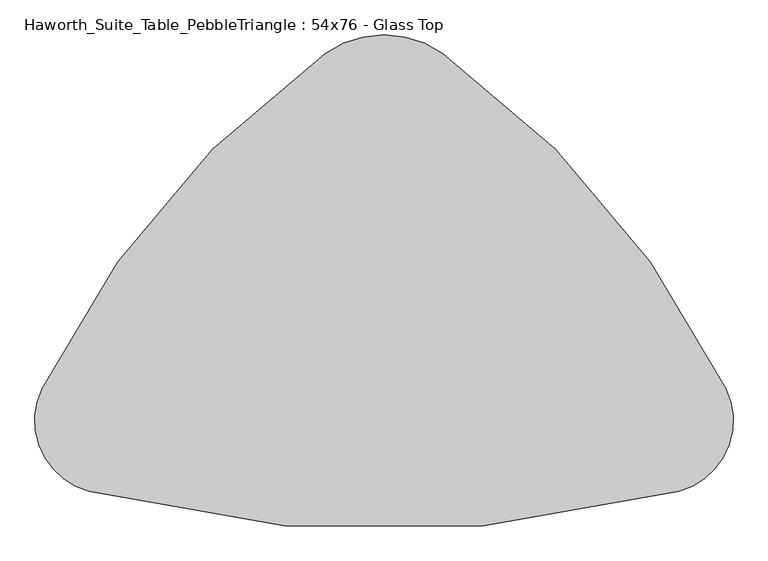
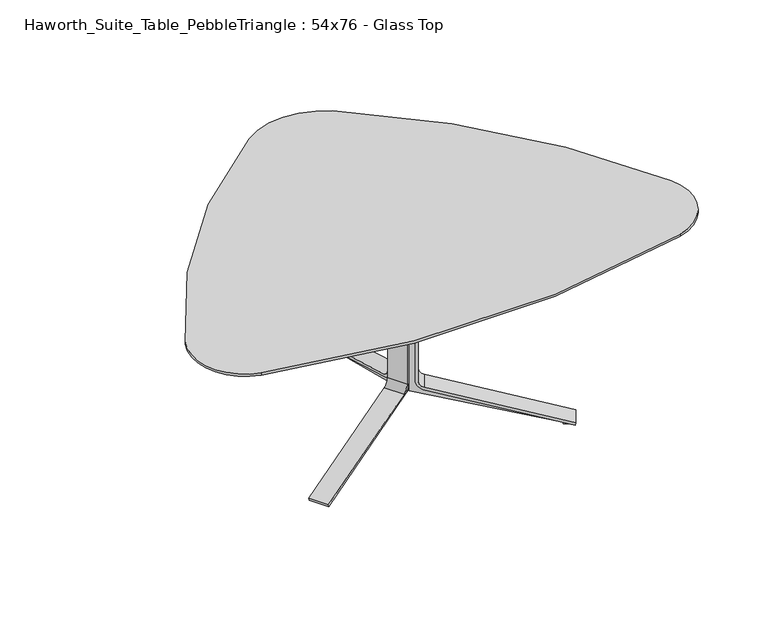
"""IFC4 building model written with IfcOpenShell, lengths in millimetres: furniture geometry, Haworth_Suite_Table_PebbleTriangle : 54x76 - Glass Top."""

from ifc_helpers import new_model, si_unit, point, frame, frame_2d, origin, place, context, project, spatial, polyline, circle_curve, trimmed, segment, composite_curve, outline, extrude, source, transform, mapped, element, save


def haworth_suite_table_pebbletriangle_54x76_glass_top_60013524(model_context):
    return source(origin(), model_context, "Body", "SweptSolid", [
        extrude(outline(composite_curve([segment(polyline([(-269.3436324, 0.0), (-295.5330754, 5.8726591), (-44.1875449, 20.7494046)]), True, "CONTINUOUS"), segment(trimmed(circle_curve(frame_2d((-46.438684, 58.7828422)), 38.1), [point((-44.1875449, 20.7494046))], [point((-9.2618925, 50.446406))], True, "CARTESIAN"), True, "CONTINUOUS"), segment(polyline([(-9.2618925, 50.446406), (82.3027309, 458.7838346)]), True, "CONTINUOUS"), segment(trimmed(circle_curve(frame_2d((45.1259393, 467.1202708)), 38.1), [point((82.3027309, 458.7838346))], [point((63.4019806, 500.5507407))], True, "CARTESIAN"), True, "CONTINUOUS"), segment(polyline([(63.4019806, 500.5507407), (-393.0670035, 750.0969211), (-391.6775969, 756.2930555), (-363.1013705, 749.8851897), (-364.1289314, 745.3027257), (112.9884974, 503.8783626), (0.0, 0.0), (-269.3436324, 0.0)]), True, "CONTINUOUS")], self_intersect=False)), frame((-15.5441472, -673.435421, 652.2665091), z_axis=(-0.49999999999999856, 0.8660254037844395, 0.0), x_axis=(0.8450405756685904, 0.4878844038384151, -0.21880409951582677)), (0.0, 0.0, 1.0), 47.625),
        extrude(outline(composite_curve([segment(polyline([(27.4680529, -36.4513375), (174.0095606, 474.5996329), (183.1655841, 471.9741854), (36.3672848, -39.0934672)]), True, "CONTINUOUS"), segment(trimmed(circle_curve(frame_2d((-0.2519977, -28.575)), 38.1), [point((36.3672848, -39.0934672))], [point((-0.2519977, -66.675))], False, "CARTESIAN"), True, "CONTINUOUS"), segment(polyline([(-0.2519977, -66.675), (-418.7296385, -66.675)]), True, "CONTINUOUS"), segment(trimmed(circle_curve(frame_2d((-418.7296385, -28.575)), 38.1), [point((-418.7296385, -66.675))], [point((-455.3489221, -39.0934634))], False, "CARTESIAN"), True, "CONTINUOUS"), segment(polyline([(-455.3489221, -39.0934634), (-523.3798781, 197.7514787)]), True, "CONTINUOUS"), segment(trimmed(circle_curve(frame_2d((-486.7605946, 208.2699421)), 38.1), [point((-523.3798781, 197.7514787))], [point((-524.8605946, 208.2699421))], False, "CARTESIAN"), True, "CONTINUOUS"), segment(polyline([(-524.8605946, 208.2699421), (-524.8605946, 303.1768115), (-515.3355946, 303.1768115), (-515.3355946, 210.0197483)]), True, "CONTINUOUS"), segment(trimmed(circle_curve(frame_2d((-477.2355946, 210.0197483)), 38.1), [point((-515.3355946, 210.0197483))], [point((-513.8596652, 199.5179651))], True, "CARTESIAN"), True, "CONTINUOUS"), segment(polyline([(-513.8596652, 199.5179651), (-446.1965565, -36.4513375)]), True, "CONTINUOUS"), segment(trimmed(circle_curve(frame_2d((-418.7285036, -28.575)), 28.575), [point((-446.1965565, -36.4513375))], [point((-418.7285036, -57.15))], True, "CARTESIAN"), True, "CONTINUOUS"), segment(polyline([(-418.7285036, -57.15), (0.0, -57.15)]), True, "CONTINUOUS"), segment(trimmed(circle_curve(frame_2d((0.0, -28.575)), 28.575), [point((0.0, -57.15))], [point((27.4680529, -36.4513375))], True, "CARTESIAN"), True, "CONTINUOUS")], self_intersect=False)), frame((-83.5284008, -729.1839321, 186.3393812), z_axis=(-0.4999999999999986, 0.8660254037844395, 0.0), x_axis=(0.0, 0.0, -1.0)), (0.0, 0.0, 1.0), 76.2),
        extrude(outline(composite_curve([segment(polyline([(-269.3436324, 0.0), (0.0, 0.0), (112.9884974, -503.8783626), (-364.1289314, -745.3027257), (-363.1013705, -749.8851897), (-391.6775969, -756.2930555), (-393.0670035, -750.0969211), (63.4019806, -500.5507407)]), True, "CONTINUOUS"), segment(trimmed(circle_curve(frame_2d((45.1259393, -467.1202708)), 38.1), [point((63.4019806, -500.5507407))], [point((82.3027309, -458.7838346))], True, "CARTESIAN"), True, "CONTINUOUS"), segment(polyline([(82.3027309, -458.7838346), (-9.2618925, -50.446406)]), True, "CONTINUOUS"), segment(trimmed(circle_curve(frame_2d((-46.438684, -58.7828422)), 38.1), [point((-9.2618925, -50.446406))], [point((-44.1875449, -20.7494046))], True, "CARTESIAN"), True, "CONTINUOUS"), segment(polyline([(-44.1875449, -20.7494046), (-295.5330754, -5.8726591), (-269.3436324, 0.0)]), True, "CONTINUOUS")], self_intersect=False)), frame((-9.8558528, -673.435421, 652.2665091), z_axis=(0.49999999999999856, 0.8660254037844395, 0.0), x_axis=(-0.8450405756685904, 0.4878844038384151, -0.21880409951582677)), (0.0, 0.0, 1.0), 47.625),
        extrude(outline(composite_curve([segment(trimmed(circle_curve(frame_2d((0.0, 28.575)), 28.575), [point((27.4680529, 36.4513375))], [point((0.0, 57.15))], True, "CARTESIAN"), True, "CONTINUOUS"), segment(polyline([(0.0, 57.15), (-418.7285036, 57.15)]), True, "CONTINUOUS"), segment(trimmed(circle_curve(frame_2d((-418.7285036, 28.575)), 28.575), [point((-418.7285036, 57.15))], [point((-446.1965565, 36.4513375))], True, "CARTESIAN"), True, "CONTINUOUS"), segment(polyline([(-446.1965565, 36.4513375), (-513.8596652, -199.5179651)]), True, "CONTINUOUS"), segment(trimmed(circle_curve(frame_2d((-477.2355946, -210.0197483)), 38.1), [point((-513.8596652, -199.5179651))], [point((-515.3355946, -210.0197483))], True, "CARTESIAN"), True, "CONTINUOUS"), segment(polyline([(-515.3355946, -210.0197483), (-515.3355946, -303.1768115), (-524.8605946, -303.1768115), (-524.8605946, -208.2699421)]), True, "CONTINUOUS"), segment(trimmed(circle_curve(frame_2d((-486.7605946, -208.2699421)), 38.1), [point((-524.8605946, -208.2699421))], [point((-523.3798781, -197.7514787))], False, "CARTESIAN"), True, "CONTINUOUS"), segment(polyline([(-523.3798781, -197.7514787), (-455.3489221, 39.0934634)]), True, "CONTINUOUS"), segment(trimmed(circle_curve(frame_2d((-418.7296385, 28.575)), 38.1), [point((-455.3489221, 39.0934634))], [point((-418.7296385, 66.675))], False, "CARTESIAN"), True, "CONTINUOUS"), segment(polyline([(-418.7296385, 66.675), (-0.2519977, 66.675)]), True, "CONTINUOUS"), segment(trimmed(circle_curve(frame_2d((-0.2519977, 28.575)), 38.1), [point((-0.2519977, 66.675))], [point((36.3672848, 39.0934672))], False, "CARTESIAN"), True, "CONTINUOUS"), segment(polyline([(36.3672848, 39.0934672), (183.1655841, -471.9741854), (174.0095606, -474.5996329), (27.4680529, 36.4513375)]), True, "CONTINUOUS")], self_intersect=False)), frame((58.1284008, -729.1839321, 186.3393812), z_axis=(0.4999999999999986, 0.8660254037844395, 0.0), x_axis=(0.0, 0.0, -1.0)), (0.0, 0.0, 1.0), 76.2),
        extrude(outline(composite_curve([segment(polyline([(-364.4476386, 711.2), (-337.6078352, 711.2), (-579.6078709, 641.6883033)]), True, "CONTINUOUS"), segment(trimmed(circle_curve(frame_2d((-569.0894074, 605.0690197)), 38.1), [point((-579.6078709, 641.6883033))], [point((-607.1894074, 605.0690197))], True, "CARTESIAN"), True, "CONTINUOUS"), segment(polyline([(-607.1894074, 605.0690197), (-607.1894074, 186.5913789)]), True, "CONTINUOUS"), segment(trimmed(circle_curve(frame_2d((-569.0894074, 186.5913789)), 38.1), [point((-607.1894074, 186.5913789))], [point((-579.6078747, 149.9720964))], True, "CARTESIAN"), True, "CONTINUOUS"), segment(polyline([(-579.6078747, 149.9720964), (-79.5979509, 6.3500025), (-79.5979509, 0.0), (-108.8838087, 0.0), (-108.8838087, 4.69626), (-627.2647536, 135.8753736), (-627.2647536, 652.2665091), (-364.4476386, 711.2)]), True, "CONTINUOUS")], self_intersect=False)), frame((-36.5125, 0.0, 0.0), z_axis=(1.0, 0.0, 0.0), x_axis=(0.0, 1.0, 0.0)), (0.0, 0.0, 1.0), 47.625),
        extrude(outline(composite_curve([segment(polyline([(-576.9657449, 158.8713283), (-65.9147745, 12.3298206), (-68.540222, 3.1737971), (-579.6078747, 149.9720964)]), True, "CONTINUOUS"), segment(trimmed(circle_curve(frame_2d((-569.0894074, 186.5913789)), 38.1), [point((-579.6078747, 149.9720964))], [point((-607.1894074, 186.5913789))], False, "CARTESIAN"), True, "CONTINUOUS"), segment(polyline([(-607.1894074, 186.5913789), (-607.1894074, 605.0690197)]), True, "CONTINUOUS"), segment(trimmed(circle_curve(frame_2d((-569.0894074, 605.0690197)), 38.1), [point((-607.1894074, 605.0690197))], [point((-579.6078709, 641.6883033))], False, "CARTESIAN"), True, "CONTINUOUS"), segment(polyline([(-579.6078709, 641.6883033), (-342.7629288, 709.7192593)]), True, "CONTINUOUS"), segment(trimmed(circle_curve(frame_2d((-332.2444653, 673.0999758)), 38.1), [point((-342.7629288, 709.7192593))], [point((-332.2444653, 711.1999758))], False, "CARTESIAN"), True, "CONTINUOUS"), segment(polyline([(-332.2444653, 711.1999758), (-237.3375959, 711.1999758), (-237.3375959, 701.6749758), (-330.4946591, 701.6749758)]), True, "CONTINUOUS"), segment(trimmed(circle_curve(frame_2d((-330.4946591, 663.5749758)), 38.1), [point((-330.4946591, 701.6749758))], [point((-340.9964424, 700.1990464))], True, "CARTESIAN"), True, "CONTINUOUS"), segment(polyline([(-340.9964424, 700.1990464), (-576.9657449, 632.5359377)]), True, "CONTINUOUS"), segment(trimmed(circle_curve(frame_2d((-569.0894074, 605.0678848)), 28.575), [point((-576.9657449, 632.5359377))], [point((-597.6644074, 605.0678848))], True, "CARTESIAN"), True, "CONTINUOUS"), segment(polyline([(-597.6644074, 605.0678848), (-597.6644074, 186.3393812)]), True, "CONTINUOUS"), segment(trimmed(circle_curve(frame_2d((-569.0894074, 186.3393812)), 28.575), [point((-597.6644074, 186.3393812))], [point((-576.9657449, 158.8713283))], True, "CARTESIAN"), True, "CONTINUOUS")], self_intersect=False)), frame((-50.8, 0.0, 0.0), z_axis=(1.0, 0.0, 0.0), x_axis=(0.0, 1.0, 0.0)), (0.0, 0.0, 1.0), 76.2),
        extrude(outline(composite_curve([segment(trimmed(circle_curve(frame_2d((1131.0937459, -1744.6562166)), 2209.8), [point((-855.9960349, -777.8624211))], [point((-161.2446423, 47.8497193))], False, "CARTESIAN"), True, "CONTINUOUS"), segment(trimmed(circle_curve(frame_2d((-12.7, -158.1854457)), 254.0), [point((-161.2446423, 47.8497193))], [point((135.8446423, 47.8497193))], False, "CARTESIAN"), True, "CONTINUOUS"), segment(trimmed(circle_curve(frame_2d((-1156.4937459, -1744.6562166)), 2209.8), [point((135.8446423, 47.8497193))], [point((830.596031, -777.8624132))], False, "CARTESIAN"), True, "CONTINUOUS"), segment(trimmed(circle_curve(frame_2d((670.7152444, -855.6504204)), 177.8), [point((830.596031, -777.8624132))], [point((716.7143484, -1027.3971013))], False, "CARTESIAN"), True, "CONTINUOUS"), segment(trimmed(circle_curve(frame_2d((-12.7000155, 1696.0145543)), 2819.4), [point((716.7143484, -1027.3971013))], [point((-742.1143502, -1027.3971092))], False, "CARTESIAN"), True, "CONTINUOUS"), segment(trimmed(circle_curve(frame_2d((-696.115248, -855.6504277)), 177.8), [point((-742.1143502, -1027.3971092))], [point((-855.9960349, -777.8624211))], False, "CARTESIAN"), True, "CONTINUOUS")], self_intersect=False)), frame((0.0, 0.0, 711.2), z_axis=(0.0, 0.0, 1.0), x_axis=(1.0, 0.0, 0.0)), (0.0, 0.0, 1.0), 28.575),
        extrude(outline(composite_curve([segment(trimmed(circle_curve(frame_2d((-12.6979283, -107.3847333)), 279.4), [point((-175.7418745, 119.5095848))], [point((150.346018, 119.5095848))], False, "CARTESIAN"), True, "CONTINUOUS"), segment(trimmed(circle_curve(frame_2d((-1302.2273212, -1901.9125221)), 2489.2), [point((150.346018, 119.5095848))], [point((933.3374519, -807.2131181))], False, "CARTESIAN"), True, "CONTINUOUS"), segment(trimmed(circle_curve(frame_2d((750.8423684, -896.5763348)), 203.2), [point((933.3374519, -807.2131181))], [point((803.0623317, -1092.9517799))], False, "CARTESIAN"), True, "CONTINUOUS"), segment(trimmed(circle_curve(frame_2d((-12.8745951, 1975.4145495)), 3175.0), [point((803.0623317, -1092.9517799))], [point((-828.4775099, -1093.0405805))], False, "CARTESIAN"), True, "CONTINUOUS"), segment(trimmed(circle_curve(frame_2d((-776.2789234, -896.6594522)), 203.2), [point((-828.4775099, -1093.0405805))], [point((-958.7776245, -807.3036238))], False, "CARTESIAN"), True, "CONTINUOUS"), segment(trimmed(circle_curve(frame_2d((1276.8314647, -1901.9125221)), 2489.2), [point((-958.7776245, -807.3036238))], [point((-175.7418745, 119.5095848))], False, "CARTESIAN"), True, "CONTINUOUS")], self_intersect=False)), frame((0.0, 0.0, 739.775), z_axis=(0.0, 0.0, 1.0), x_axis=(1.0, 0.0, 0.0)), (0.0, 0.0, 1.0), 9.525),
    ])


if __name__ == "__main__":
    model = new_model("IFC4")
    model_context = context("Model", 3, world=origin())
    ifc_project = project(units=[si_unit("LENGTHUNIT", "METRE", prefix="MILLI")], contexts=[model_context])
    site = spatial("IfcSite", under=ifc_project)
    building = spatial("IfcBuilding", under=site)
    placement = place(None, origin())
    haworth_suite_table_pebbletriangle_54x76_glass_top_shape = haworth_suite_table_pebbletriangle_54x76_glass_top_60013524(model_context)
    element("IfcFurniture", 1, ObjectType="Haworth_Suite_Table_PebbleTriangle : 54x76 - Glass Top", at=placement, inside=building, context=model_context, shape_type="MappedRepresentation", body=[
        mapped(haworth_suite_table_pebbletriangle_54x76_glass_top_shape, transform((0.0, 0.0, 0.0), x_axis=(1.0, 0.0, 0.0), y_axis=(0.0, 1.0, 0.0), z_axis=(0.0, 0.0, 1.0))),
    ])
    save(model, "model.ifc")
